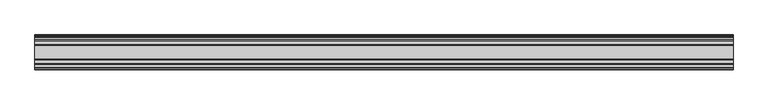
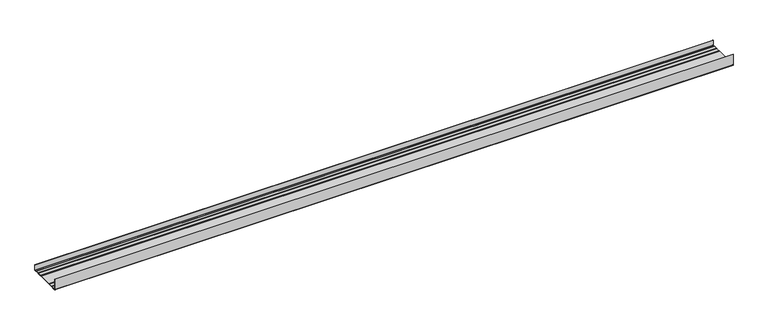
"""IFC4 building model written with IfcOpenShell, lengths in millimetres: proxy geometry."""

from ifc_helpers import new_model, si_unit, point, frame, frame_2d, origin, place, context, project, spatial, polyline, circle_curve, trimmed, segment, composite_curve, outline, extrude, source, transform, mapped, element, save


def generic_models_e74669b7(model_context):
    return source(origin(), model_context, "Body", "SweptSolid", [
        extrude(outline(composite_curve([segment(polyline([(75.5, 25.0), (75.5, 1.25)]), True, "CONTINUOUS"), segment(trimmed(circle_curve(frame_2d((74.25, 1.25)), 1.25), [point((75.5, 1.25))], [point((74.25, 0.0))], False, "CARTESIAN"), True, "CONTINUOUS"), segment(polyline([(74.25, 0.0), (67.6736854, 0.0), (66.5, 0.8), (53.75, 0.8), (51.25, 1.8), (48.75, 0.8), (33.75, 0.8), (31.25, 1.8), (28.75, 0.8), (-28.75, 0.8), (-31.25, 1.8), (-33.75, 0.8), (-48.75, 0.8), (-51.25, 1.8), (-53.75, 0.8), (-66.5, 0.8), (-67.6736854, 0.0), (-73.95, 0.0)]), True, "CONTINUOUS"), segment(trimmed(circle_curve(frame_2d((-73.95, 1.25)), 1.25), [point((-73.95, 0.0))], [point((-75.2, 1.25))], False, "CARTESIAN"), True, "CONTINUOUS"), segment(polyline([(-75.2, 1.25), (-75.2, 50.0), (-74.8757978, 49.2422518), (-74.6, 50.0), (-74.6, 1.25)]), True, "CONTINUOUS"), segment(trimmed(circle_curve(frame_2d((-73.95, 1.25)), 0.65), [point((-74.6, 1.25))], [point((-73.95, 0.6))], True, "CARTESIAN"), True, "CONTINUOUS"), segment(polyline([(-73.95, 0.6), (-67.6736854, 0.6), (-66.5, 1.4), (-53.75, 1.4), (-51.25, 2.4), (-48.75, 1.4), (-33.75, 1.4), (-31.25, 2.4), (-28.75, 1.4), (28.75, 1.4), (31.25, 2.4), (33.75, 1.4), (48.75, 1.4), (51.25, 2.4), (53.75, 1.4), (66.5, 1.4), (67.6736854, 0.6), (74.25, 0.6)]), True, "CONTINUOUS"), segment(trimmed(circle_curve(frame_2d((74.25, 1.25)), 0.65), [point((74.25, 0.6))], [point((74.9, 1.25))], True, "CARTESIAN"), True, "CONTINUOUS"), segment(polyline([(74.9, 1.25), (74.9, 25.0), (75.2744864, 24.1583717), (75.5, 25.0)]), True, "CONTINUOUS")], self_intersect=False)), frame((0.0, 0.0, 0.0), z_axis=(1.0, 0.0, 0.0), x_axis=(0.0, 1.0, 0.0)), (0.0, 0.0, 1.0), 3000.0),
    ])


if __name__ == "__main__":
    model = new_model("IFC4")
    model_context = context("Model", 3, world=origin())
    ifc_project = project(units=[si_unit("LENGTHUNIT", "METRE", prefix="MILLI")], contexts=[model_context])
    site = spatial("IfcSite", under=ifc_project)
    building = spatial("IfcBuilding", under=site)
    placement = place(None, origin())
    generic_models_shape = generic_models_e74669b7(model_context)
    element("IfcBuildingElementProxy", 1, Name="Generic Models", at=placement, inside=building, context=model_context, shape_type="MappedRepresentation", body=[
        mapped(generic_models_shape, transform((0.0, 0.0, 0.0), x_axis=(1.0, 0.0, 0.0), y_axis=(0.0, 1.0, 0.0), z_axis=(0.0, 0.0, 1.0))),
    ])
    save(model, "model.ifc")
